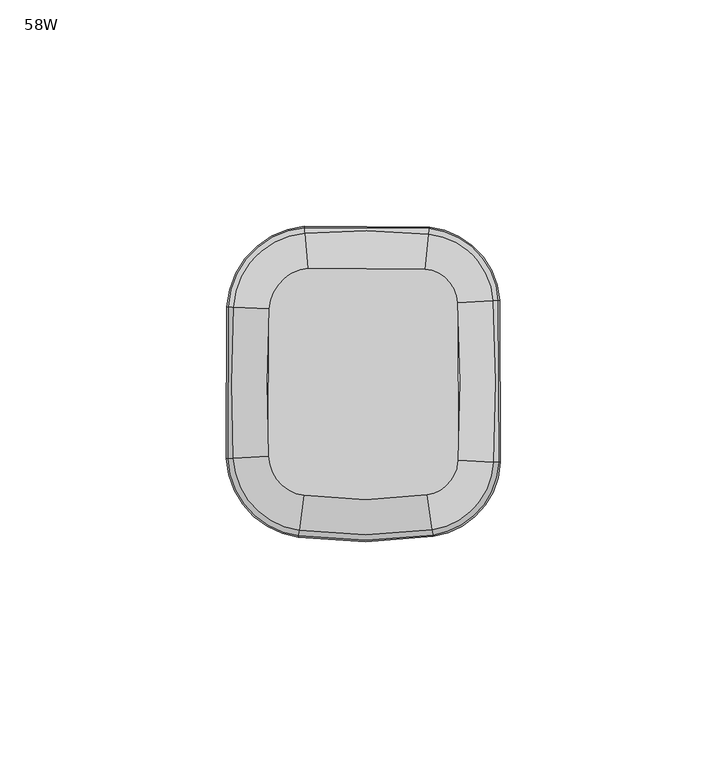
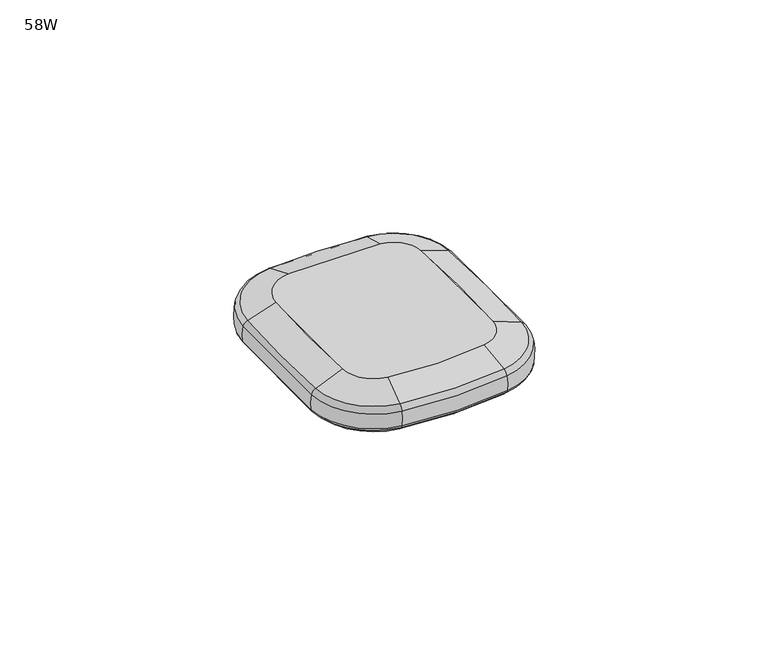
"""IFC4 building model written with IfcOpenShell, lengths in millimetres: furniture geometry, 58W."""

from ifc_helpers import new_model, si_unit, point, frame, origin, place, context, project, spatial, polyline, circle_curve, ellipse_curve, trimmed, source, transform, mapped, element, save
from ifc_brep_helpers import plane_surface, revolved_surface, advanced_brep


def furniture_58w_7916ae66(model_context):
    return source(origin(), model_context, "Body", "AdvancedBrep", [
        advanced_brep(
        [(553.8115374, -720.1187209, 991.0002905), (554.9543179, -727.7731833, 988.1834162), (568.4427261, -712.8735148, 988.1834162), (560.7126626, -712.4955473, 991.0002905), (569.70939, -712.9354493, 986.7527708), (555.1415762, -729.0274591, 986.7527708), (555.1660814, -729.1915975, 982.4840916), (569.8751497, -712.9435543, 982.4840916), (568.2943896, -677.2891615, 988.1834162), (560.5677458, -677.7315617, 991.0002905), (569.7261794, -677.2071824, 982.4840916), (569.5604931, -677.216669, 986.7527708), (554.1675965, -662.5236904, 988.1834162), (553.3841927, -670.2232371, 991.0002905), (554.3127656, -661.0969218, 982.4840916), (554.2959667, -661.262027, 986.7527708), (526.8358016, -662.3431655, 988.1834162), (527.5174314, -670.0523886, 991.0002905), (526.7094919, -660.9146037, 982.4840916), (526.7241084, -661.0799165, 986.7527708), (511.1085802, -678.6378217, 988.1834162), (518.8371131, -679.045891, 991.0002905), (509.6764403, -678.5622041, 982.4840916), (509.8421671, -678.5709546, 986.7527708), (510.9872101, -711.9795758, 988.1834162), (518.718509, -711.6277831, 991.0002905), (509.5545576, -712.0447649, 982.4840916), (509.7203437, -712.0372213, 986.7527708), (525.506564, -727.9163084, 988.1834162), (526.5748861, -720.2510994, 991.0002905), (525.3085979, -729.3367141, 982.4840916), (525.3315065, -729.1723451, 986.7527708), (569.5250419, -712.9264355, 981.740773), (555.114323, -728.8449139, 981.740773), (553.8115374, -720.1187209, 978.2999998), (560.7126626, -712.4955473, 978.2999998), (560.5677458, -677.7315617, 978.2999998), (569.3762266, -677.2272194, 981.740773), (553.3841927, -670.2232371, 978.2999998), (554.2772839, -661.4456474, 981.740773), (527.5174314, -670.0523886, 978.2999998), (526.740364, -661.2637676, 981.740773), (518.8371131, -679.045891, 978.2999998), (510.0264787, -678.5806863, 981.740773), (518.718509, -711.6277831, 978.2999998), (509.9047213, -712.0288317, 981.740773), (526.5748861, -720.2510994, 978.2999998), (525.3569841, -728.9895437, 981.740773)],
        [
            (0, 1),
            (1, 2, circle_curve(frame((552.6143107, -712.0995721, 988.1834162), z_axis=(0.0, 0.0, 1.0), x_axis=(0.1476594373655488, -0.9890382654664528, 0.0)), 15.8473253)),
            (2, 3),
            (3, 0, circle_curve(frame((552.6143107, -712.0995721, 990.9999998), z_axis=(0.0, 0.0, -1.0), x_axis=(0.1476594373655488, -0.9890382654664528, 0.0)), 8.1088255)),
            (4, 5, circle_curve(frame((552.6143107, -712.0995721, 986.7527708), z_axis=(0.0, 0.0, -1.0), x_axis=(0.1476594373655488, -0.9890382654664528, 0.0)), 17.1155025)),
            (5, 6, circle_curve(frame((553.5147111, -718.1305475, 984.1868597), z_axis=(0.9890382654664528, 0.14765943736554882, 0.0), x_axis=(-0.14765943736554882, 0.9890382654664528, 0.0)), 11.3125272)),
            (6, 7, circle_curve(frame((552.6143107, -712.0995721, 982.4840916), z_axis=(0.0, 0.0, 1.0), x_axis=(0.1476594373655488, -0.9890382654664528, 0.0)), 17.2814602)),
            (7, 4, circle_curve(frame((558.7048525, -712.3973739, 984.1868597), z_axis=(-0.04883743353817299, -0.9988067406087149, 0.0), x_axis=(-0.9988067406087149, 0.04883743353817299, 0.0)), 11.3125272)),
            (1, 5, circle_curve(frame((554.8529657, -727.0943157, 986.2975708), z_axis=(0.9890382654664528, 0.14765943736554882, 0.0), x_axis=(-0.14765943736554882, 0.9890382654664528, 0.0)), 2.0068747)),
            (4, 2, circle_curve(frame((567.7571536, -712.8399932, 986.2975708), z_axis=(-0.04883743353818076, -0.9988067406087144, 0.0), x_axis=(-0.9988067406087144, 0.04883743353818076, 0.0)), 2.0068747)),
            (2, 8, circle_curve(frame((233.1426653, -696.4787572, 988.1834162), z_axis=(0.0, 0.0, 1.0), x_axis=(0.9988067406087116, -0.04883743353824024, 0.0)), 335.7006387)),
            (8, 9),
            (9, 3, circle_curve(frame((233.1426653, -696.4787572, 990.9999998), z_axis=(0.0, 0.0, -1.0), x_axis=(0.9988067406087116, -0.04883743353824024, 0.0)), 327.9621389)),
            (7, 10, circle_curve(frame((233.1426653, -696.4787572, 982.4840916), z_axis=(0.0, 0.0, 1.0), x_axis=(0.9988067406087116, -0.04883743353824024, 0.0)), 337.1347736)),
            (10, 11, circle_curve(frame((558.560824, -677.8464709, 984.1868597), z_axis=(0.057162821296979, -0.9983648691041616, 0.0), x_axis=(-0.9983648691041616, -0.057162821296979, 0.0)), 11.3125272)),
            (11, 4, circle_curve(frame((233.1426653, -696.4787572, 986.7527708), z_axis=(0.0, 0.0, -1.0), x_axis=(0.9988067406087116, -0.04883743353824024, 0.0)), 336.9688159)),
            (11, 8, circle_curve(frame((567.6091203, -677.3283976, 986.2975708), z_axis=(0.057162821296978576, -0.9983648691041617, 0.0), x_axis=(-0.9983648691041617, -0.057162821296978576, 0.0)), 2.0068747)),
            (8, 12, circle_curve(frame((552.5736743, -678.1892738, 988.1834162), z_axis=(0.0, 0.0, 1.0), x_axis=(0.9983648691041614, 0.05716282129698137, 0.0)), 15.7464628)),
            (12, 13),
            (13, 9, circle_curve(frame((552.5736743, -678.1892738, 990.9999998), z_axis=(0.0, 0.0, -1.0), x_axis=(0.9983648691041614, 0.05716282129698137, 0.0)), 8.0079629)),
            (10, 14, circle_curve(frame((552.5736743, -678.1892738, 982.4840916), z_axis=(0.0, 0.0, 1.0), x_axis=(0.9983648691041614, 0.05716282129698137, 0.0)), 17.1805977)),
            (14, 15, circle_curve(frame((553.180711, -672.2231208, 984.1868597), z_axis=(0.9948636454160271, -0.10122414252308287, 0.0), x_axis=(-0.10122414252308287, -0.9948636454160271, 0.0)), 11.3125272)),
            (15, 11, circle_curve(frame((552.5736743, -678.1892738, 986.7527708), z_axis=(0.0, 0.0, -1.0), x_axis=(0.9983648691041614, 0.05716282129698137, 0.0)), 17.01464)),
            (15, 12, circle_curve(frame((554.0981171, -663.2065564, 986.2975708), z_axis=(0.9948636454160273, -0.1012241425230811, 0.0), x_axis=(-0.1012241425230811, -0.9948636454160273, 0.0)), 2.0068747)),
            (12, 16, circle_curve(frame((539.5523463, -806.1671014, 988.1834162), z_axis=(0.0, 0.0, 1.0), x_axis=(0.10122414252308336, 0.9948636454160271, 0.0)), 144.3850237)),
            (16, 17),
            (17, 13, circle_curve(frame((539.5523463, -806.1671014, 990.9999998), z_axis=(0.0, 0.0, -1.0), x_axis=(0.10122414252308336, 0.9948636454160271, 0.0)), 136.6465238)),
            (14, 18, circle_curve(frame((539.5523463, -806.1671014, 982.4840916), z_axis=(0.0, 0.0, 1.0), x_axis=(0.10122414252308336, 0.9948636454160271, 0.0)), 145.8191585)),
            (18, 19, circle_curve(frame((527.6944783, -672.0547856, 984.1868597), z_axis=(0.996113947934043, 0.08807384816876543, 0.0), x_axis=(0.08807384816876543, -0.996113947934043, 0.0)), 11.3125272)),
            (19, 15, circle_curve(frame((539.5523463, -806.1671014, 986.7527708), z_axis=(0.0, 0.0, -1.0), x_axis=(0.10122414252308336, 0.9948636454160271, 0.0)), 145.6532009)),
            (19, 16, circle_curve(frame((526.8962548, -663.0268897, 986.2975708), z_axis=(0.9961139479340431, 0.08807384816876562, 0.0), x_axis=(0.08807384816876562, -0.9961139479340431, 0.0)), 2.0068747)),
            (16, 20, circle_curve(frame((528.3570575, -679.5485475, 988.1834162), z_axis=(0.0, 0.0, 1.0), x_axis=(-0.08807384816876603, 0.996113947934043, 0.0)), 17.2725039)),
            (20, 21),
            (21, 17, circle_curve(frame((528.3570575, -679.5485475, 990.9999998), z_axis=(0.0, 0.0, -1.0), x_axis=(-0.08807384816876603, 0.996113947934043, 0.0)), 9.534004)),
            (18, 22, circle_curve(frame((528.3570575, -679.5485475, 982.4840916), z_axis=(0.0, 0.0, 1.0), x_axis=(-0.08807384816876603, 0.996113947934043, 0.0)), 18.7066388)),
            (22, 23, circle_curve(frame((520.8445256, -679.1518831, 984.1868597), z_axis=(0.052726915225592294, 0.9986089687213876, 0.0), x_axis=(0.9986089687213876, -0.052726915225592294, 0.0)), 11.3125272)),
            (23, 19, circle_curve(frame((528.3570575, -679.5485475, 986.7527708), z_axis=(0.0, 0.0, -1.0), x_axis=(-0.08807384816876603, 0.996113947934043, 0.0)), 18.5406811)),
            (23, 20, circle_curve(frame((511.794017, -678.674013, 986.2975708), z_axis=(0.05272691522559052, 0.9986089687213877, 0.0), x_axis=(0.9986089687213877, -0.05272691522559052, 0.0)), 2.0068747)),
            (20, 24, circle_curve(frame((850.226514, -696.5433714, 988.1834162), z_axis=(0.0, 0.0, 1.0), x_axis=(-0.9986089687213847, 0.05272691522564658, 0.0)), 339.5903145)),
            (24, 25),
            (25, 21, circle_curve(frame((850.226514, -696.5433714, 990.9999998), z_axis=(0.0, 0.0, -1.0), x_axis=(-0.9986089687213847, 0.05272691522564658, 0.0)), 331.8518146)),
            (22, 26, circle_curve(frame((850.226514, -696.5433714, 982.4840916), z_axis=(0.0, 0.0, 1.0), x_axis=(-0.9986089687213847, 0.05272691522564658, 0.0)), 341.0244494)),
            (26, 27, circle_curve(frame((520.72664, -711.5364083, 984.1868597), z_axis=(-0.045455373076567905, 0.998966370334092, 0.0), x_axis=(0.998966370334092, 0.045455373076567905, 0.0)), 11.3125272)),
            (27, 23, circle_curve(frame((850.226514, -696.5433714, 986.7527708), z_axis=(0.0, 0.0, -1.0), x_axis=(-0.9986089687213847, 0.05272691522564658, 0.0)), 340.8584917)),
            (27, 24, circle_curve(frame((511.6728922, -711.9483756, 986.2975708), z_axis=(-0.045455373076568, 0.998966370334092, 0.0), x_axis=(0.998966370334092, 0.045455373076568, 0.0)), 2.0068747)),
            (24, 28, circle_curve(frame((527.8345546, -711.2129811, 988.1834162), z_axis=(0.0, 0.0, 1.0), x_axis=(-0.9989663703340921, -0.045455373076564755, 0.0)), 16.8647764)),
            (28, 29),
            (29, 25, circle_curve(frame((527.8345546, -711.2129811, 990.9999998), z_axis=(0.0, 0.0, -1.0), x_axis=(-0.9989663703340921, -0.045455373076564755, 0.0)), 9.1262765)),
            (26, 30, circle_curve(frame((527.8345546, -711.2129811, 982.4840916), z_axis=(0.0, 0.0, 1.0), x_axis=(-0.9989663703340921, -0.045455373076564755, 0.0)), 18.2989113)),
            (30, 31, circle_curve(frame((526.8523726, -718.2601347, 984.1868597), z_axis=(-0.9904268457768622, 0.13803862924738008, 0.0), x_axis=(0.13803862924738008, 0.9904268457768622, 0.0)), 11.3125272)),
            (31, 27, circle_curve(frame((527.8345546, -711.2129811, 986.7527708), z_axis=(0.0, 0.0, -1.0), x_axis=(-0.9989663703340921, -0.045455373076564755, 0.0)), 18.1329536)),
            (31, 28, circle_curve(frame((525.6013125, -727.2364878, 986.2975708), z_axis=(-0.9904268457768625, 0.13803862924737836, 0.0), x_axis=(0.13803862924737836, 0.9904268457768625, 0.0)), 2.0068747)),
            (0, 29, circle_curve(frame((539.7346182, -625.8300522, 990.9999998), z_axis=(0.0, 0.0, -1.0), x_axis=(-0.13803862924737878, -0.9904268457768624, 0.0)), 95.33449)),
            (28, 1, circle_curve(frame((539.7346182, -625.8300522, 988.1834162), z_axis=(0.0, 0.0, 1.0), x_axis=(-0.13803862924737878, -0.9904268457768624, 0.0)), 103.0729899)),
            (5, 31, circle_curve(frame((539.7346182, -625.8300522, 986.7527708), z_axis=(0.0, 0.0, -1.0), x_axis=(-0.13803862924737878, -0.9904268457768624, 0.0)), 104.3411671)),
            (30, 6, circle_curve(frame((539.7346182, -625.8300522, 982.4840916), z_axis=(0.0, 0.0, 1.0), x_axis=(-0.13803862924737878, -0.9904268457768624, 0.0)), 104.5071248)),
            (32, 33, circle_curve(frame((552.6143107, -712.0995721, 981.740773), z_axis=(0.0, 0.0, -1.0), x_axis=(0.1476594373655488, -0.9890382654664528, 0.0)), 16.9309342)),
            (33, 34, circle_curve(frame((553.961296, -721.1218192, 988.7316594), z_axis=(0.9890382654664528, 0.14765943736554882, 0.0), x_axis=(-0.14765943736554882, 0.9890382654664528, 0.0)), 10.4808471)),
            (34, 35, circle_curve(frame((552.6143107, -712.0995721, 978.2999998), z_axis=(0.0, 0.0, 1.0), x_axis=(0.1476594373655488, -0.9890382654664528, 0.0)), 8.1080269)),
            (35, 32, circle_curve(frame((561.7256682, -712.545079, 988.7316594), z_axis=(-0.04883743353809847, -0.9988067406087184, 0.0), x_axis=(-0.9988067406087184, 0.04883743353809847, 0.0)), 10.4808471)),
            (6, 33, circle_curve(frame((554.955997, -727.7844301, 982.7007148), z_axis=(0.9890382654664528, 0.14765943736554882, 0.0), x_axis=(-0.14765943736554882, 0.9890382654664528, 0.0)), 1.4391599)),
            (32, 7, circle_curve(frame((568.4540841, -712.8740702, 982.7007148), z_axis=(-0.04883743353816278, -0.9988067406087152, 0.0), x_axis=(-0.9988067406087152, 0.04883743353816278, 0.0)), 1.4391599)),
            (35, 36, circle_curve(frame((233.1426653, -696.4787572, 978.2999998), z_axis=(0.0, 0.0, 1.0), x_axis=(0.9988067406087116, -0.04883743353824024, 0.0)), 327.9613402)),
            (36, 37, circle_curve(frame((561.5803033, -677.6735862, 988.7316594), z_axis=(0.05716282129697848, -0.9983648691041617, 0.0), x_axis=(-0.9983648691041617, -0.05716282129697848, 0.0)), 10.4808471)),
            (37, 32, circle_curve(frame((233.1426653, -696.4787572, 981.740773), z_axis=(0.0, 0.0, -1.0), x_axis=(0.9988067406087116, -0.04883743353824024, 0.0)), 336.7842476)),
            (37, 10, circle_curve(frame((568.3057425, -677.2885115, 982.7007148), z_axis=(0.05716282129697863, -0.9983648691041617, 0.0), x_axis=(-0.9983648691041617, -0.05716282129697863, 0.0)), 1.4391599)),
            (36, 38, circle_curve(frame((552.5736743, -678.1892738, 978.2999998), z_axis=(0.0, 0.0, 1.0), x_axis=(0.9983648691041614, 0.05716282129698137, 0.0)), 8.0071643)),
            (38, 39, circle_curve(frame((553.4868558, -669.2142307, 988.7316594), z_axis=(0.9948636454160275, -0.10122414252307999, 0.0), x_axis=(-0.10122414252307999, -0.9948636454160275, 0.0)), 10.4808471)),
            (39, 37, circle_curve(frame((552.5736743, -678.1892738, 981.740773), z_axis=(0.0, 0.0, -1.0), x_axis=(0.9983648691041614, 0.05716282129698137, 0.0)), 16.8300716)),
            (39, 14, circle_curve(frame((554.1687476, -662.5123773, 982.7007148), z_axis=(0.9948636454160271, -0.10122414252308287, 0.0), x_axis=(-0.10122414252308287, -0.9948636454160271, 0.0)), 1.4391599)),
            (38, 40, circle_curve(frame((539.5523463, -806.1671014, 978.2999998), z_axis=(0.0, 0.0, 1.0), x_axis=(0.10122414252308336, 0.9948636454160271, 0.0)), 136.6457252)),
            (40, 41, circle_curve(frame((527.4281056, -669.0421141, 988.7316594), z_axis=(0.9961139479340431, 0.0880738481687656, 0.0), x_axis=(0.0880738481687656, -0.9961139479340431, 0.0)), 10.4808471)),
            (41, 39, circle_curve(frame((539.5523463, -806.1671014, 981.740773), z_axis=(0.0, 0.0, -1.0), x_axis=(0.10122414252308336, 0.9948636454160271, 0.0)), 145.4686325)),
            (41, 18, circle_curve(frame((526.8348001, -662.3318381, 982.7007148), z_axis=(0.9961139479340431, 0.08807384816876503, 0.0), x_axis=(0.08807384816876503, -0.9961139479340431, 0.0)), 1.4391599)),
            (40, 42, circle_curve(frame((528.3570575, -679.5485475, 978.2999998), z_axis=(0.0, 0.0, 1.0), x_axis=(-0.08807384816876603, 0.996113947934043, 0.0)), 9.5332054)),
            (42, 43, circle_curve(frame((517.8243081, -678.9924145, 988.7316594), z_axis=(0.05272691522554704, 0.99860896872139, 0.0), x_axis=(0.99860896872139, -0.05272691522554704, 0.0)), 10.4808471)),
            (43, 41, circle_curve(frame((528.3570575, -679.5485475, 981.740773), z_axis=(0.0, 0.0, -1.0), x_axis=(-0.08807384816876603, 0.996113947934043, 0.0)), 18.3561127)),
            (43, 22, circle_curve(frame((511.0972245, -678.6372221, 982.7007148), z_axis=(0.052726915225590754, 0.9986089687213877, 0.0), x_axis=(0.9986089687213877, -0.052726915225590754, 0.0)), 1.4391599)),
            (42, 44, circle_curve(frame((850.226514, -696.5433714, 978.2999998), z_axis=(0.0, 0.0, 1.0), x_axis=(-0.9986089687213847, 0.05272691522564658, 0.0)), 331.851016)),
            (44, 45, circle_curve(frame((517.7053415, -711.6738847, 988.7316594), z_axis=(-0.045455373076568, 0.998966370334092, 0.0), x_axis=(0.998966370334092, 0.045455373076568, 0.0)), 10.4808471)),
            (45, 43, circle_curve(frame((850.226514, -696.5433714, 981.740773), z_axis=(0.0, 0.0, -1.0), x_axis=(-0.9986089687213847, 0.05272691522564658, 0.0)), 340.6739233)),
            (45, 26, circle_curve(frame((510.9758503, -711.9800927, 982.7007148), z_axis=(-0.04545537307656849, 0.9989663703340919, 0.0), x_axis=(0.9989663703340919, 0.04545537307656849, 0.0)), 1.4391599)),
            (44, 46, circle_curve(frame((527.8345546, -711.2129811, 978.2999998), z_axis=(0.0, 0.0, 1.0), x_axis=(-0.9989663703340921, -0.045455373076564755, 0.0)), 9.1254779)),
            (46, 47, circle_curve(frame((526.4348851, -721.255606, 988.7316594), z_axis=(-0.9904268457768619, 0.13803862924738228, 0.0), x_axis=(0.13803862924738228, 0.9904268457768619, 0.0)), 10.4808471)),
            (47, 45, circle_curve(frame((527.8345546, -711.2129811, 981.740773), z_axis=(0.0, 0.0, -1.0), x_axis=(-0.9989663703340921, -0.045455373076564755, 0.0)), 17.9483852)),
            (47, 30, circle_curve(frame((525.5049942, -727.9275711, 982.7007148), z_axis=(-0.9904268457768618, 0.13803862924738317, 0.0), x_axis=(0.13803862924738317, 0.9904268457768618, 0.0)), 1.4391599)),
            (33, 47, circle_curve(frame((539.7346182, -625.8300522, 981.740773), z_axis=(0.0, 0.0, -1.0), x_axis=(-0.13803862924737878, -0.9904268457768624, 0.0)), 104.1565987)),
            (46, 34, circle_curve(frame((539.7346182, -625.8300522, 978.2999998), z_axis=(0.0, 0.0, 1.0), x_axis=(-0.13803862924737878, -0.9904268457768624, 0.0)), 95.3336914)),
        ],
        [
            revolved_surface(polyline([(554.9543179, -727.7731833, 988.1834162), (553.8115374, -720.1187209, 991.0002905)]), (552.6143107, -712.0995721, 0.0), (0.0, 0.0, 1.0)),
            revolved_surface(trimmed(ellipse_curve(frame((553.5147111, -718.1305475, 984.1868597), z_axis=(-0.9890382654664528, -0.14765943736554882, 0.0), x_axis=(-0.14765943736554882, 0.9890382654664528, 0.0)), 11.3125272, 11.3125272), [point((555.1660814, -729.1915975, 982.4840916))], [point((555.1415762, -729.0274591, 986.7527708))], True, "CARTESIAN"), (552.6143107, -712.0995721, 0.0), (0.0, 0.0, 1.0)),
            revolved_surface(trimmed(ellipse_curve(frame((554.8529657, -727.0943157, 986.2975708), z_axis=(-0.9890382654664528, -0.14765943736554882, 0.0), x_axis=(-0.14765943736554882, 0.9890382654664528, 0.0)), 2.0068747, 2.0068747), [point((555.1415762, -729.0274591, 986.7527708))], [point((554.9543179, -727.7731833, 988.1834162))], True, "CARTESIAN"), (552.6143107, -712.0995721, 0.0), (0.0, 0.0, 1.0)),
            revolved_surface(polyline([(568.4427261, -712.8735148, 988.1834162), (560.7126626, -712.4955473, 991.0002905)]), (233.1426653, -696.4787572, 0.0), (0.0, 0.0, 1.0)),
            revolved_surface(trimmed(ellipse_curve(frame((558.7048525, -712.3973739, 984.1868597), z_axis=(-0.0488374335382402, -0.9988067406087116, 0.0), x_axis=(-0.9988067406087116, 0.0488374335382402, 0.0)), 11.3125272, 11.3125272), [point((569.8751497, -712.9435543, 982.4840916))], [point((569.70939, -712.9354493, 986.7527708))], True, "CARTESIAN"), (233.1426653, -696.4787572, 0.0), (0.0, 0.0, 1.0)),
            revolved_surface(trimmed(ellipse_curve(frame((567.7571536, -712.8399932, 986.2975708), z_axis=(-0.0488374335382402, -0.9988067406087116, 0.0), x_axis=(-0.9988067406087116, 0.0488374335382402, 0.0)), 2.0068747, 2.0068747), [point((569.70939, -712.9354493, 986.7527708))], [point((568.4427261, -712.8735148, 988.1834162))], True, "CARTESIAN"), (233.1426653, -696.4787572, 0.0), (0.0, 0.0, 1.0)),
            revolved_surface(polyline([(568.2943896, -677.2891615, 988.1834162), (560.5677458, -677.7315617, 991.0002905)]), (552.5736743, -678.1892738, 0.0), (0.0, 0.0, 1.0)),
            revolved_surface(trimmed(ellipse_curve(frame((558.560824, -677.8464709, 984.1868597), z_axis=(0.05716282129698141, -0.9983648691041614, 0.0), x_axis=(-0.9983648691041614, -0.05716282129698141, 0.0)), 11.3125272, 11.3125272), [point((569.7261794, -677.2071824, 982.4840916))], [point((569.5604931, -677.216669, 986.7527708))], True, "CARTESIAN"), (552.5736743, -678.1892738, 0.0), (0.0, 0.0, 1.0)),
            revolved_surface(trimmed(ellipse_curve(frame((567.6091203, -677.3283976, 986.2975708), z_axis=(0.05716282129698141, -0.9983648691041614, 0.0), x_axis=(-0.9983648691041614, -0.05716282129698141, 0.0)), 2.0068747, 2.0068747), [point((569.5604931, -677.216669, 986.7527708))], [point((568.2943896, -677.2891615, 988.1834162))], True, "CARTESIAN"), (552.5736743, -678.1892738, 0.0), (0.0, 0.0, 1.0)),
            revolved_surface(polyline([(554.1675965, -662.5236904, 988.1834162), (553.3841927, -670.2232371, 991.0002905)]), (539.5523463, -806.1671014, 0.0), (0.0, 0.0, 1.0)),
            revolved_surface(trimmed(ellipse_curve(frame((553.180711, -672.2231208, 984.1868597), z_axis=(0.9948636454160271, -0.10122414252308337, 0.0), x_axis=(-0.10122414252308337, -0.9948636454160271, 0.0)), 11.3125272, 11.3125272), [point((554.3127656, -661.0969218, 982.4840916))], [point((554.2959667, -661.262027, 986.7527708))], True, "CARTESIAN"), (539.5523463, -806.1671014, 0.0), (0.0, 0.0, 1.0)),
            revolved_surface(trimmed(ellipse_curve(frame((554.0981171, -663.2065564, 986.2975708), z_axis=(0.9948636454160271, -0.10122414252308337, 0.0), x_axis=(-0.10122414252308337, -0.9948636454160271, 0.0)), 2.0068747, 2.0068747), [point((554.2959667, -661.262027, 986.7527708))], [point((554.1675965, -662.5236904, 988.1834162))], True, "CARTESIAN"), (539.5523463, -806.1671014, 0.0), (0.0, 0.0, 1.0)),
            revolved_surface(polyline([(526.8358016, -662.3431655, 988.1834162), (527.5174314, -670.0523886, 991.0002905)]), (528.3570575, -679.5485475, 0.0), (0.0, 0.0, 1.0)),
            revolved_surface(trimmed(ellipse_curve(frame((527.6944783, -672.0547856, 984.1868597), z_axis=(0.996113947934043, 0.08807384816876601, 0.0), x_axis=(0.08807384816876601, -0.996113947934043, 0.0)), 11.3125272, 11.3125272), [point((526.7094919, -660.9146037, 982.4840916))], [point((526.7241084, -661.0799165, 986.7527708))], True, "CARTESIAN"), (528.3570575, -679.5485475, 0.0), (0.0, 0.0, 1.0)),
            revolved_surface(trimmed(ellipse_curve(frame((526.8962548, -663.0268897, 986.2975708), z_axis=(0.996113947934043, 0.08807384816876601, 0.0), x_axis=(0.08807384816876601, -0.996113947934043, 0.0)), 2.0068747, 2.0068747), [point((526.7241084, -661.0799165, 986.7527708))], [point((526.8358016, -662.3431655, 988.1834162))], True, "CARTESIAN"), (528.3570575, -679.5485475, 0.0), (0.0, 0.0, 1.0)),
            revolved_surface(polyline([(511.1085802, -678.6378217, 988.1834162), (518.8371131, -679.045891, 991.0002905)]), (850.226514, -696.5433714, 0.0), (0.0, 0.0, 1.0)),
            revolved_surface(trimmed(ellipse_curve(frame((520.8445256, -679.1518831, 984.1868597), z_axis=(0.05272691522564658, 0.9986089687213847, 0.0), x_axis=(0.9986089687213847, -0.05272691522564658, 0.0)), 11.3125272, 11.3125272), [point((509.6764403, -678.5622041, 982.4840916))], [point((509.8421671, -678.5709546, 986.7527708))], True, "CARTESIAN"), (850.226514, -696.5433714, 0.0), (0.0, 0.0, 1.0)),
            revolved_surface(trimmed(ellipse_curve(frame((511.794017, -678.674013, 986.2975708), z_axis=(0.05272691522564658, 0.9986089687213847, 0.0), x_axis=(0.9986089687213847, -0.05272691522564658, 0.0)), 2.0068747, 2.0068747), [point((509.8421671, -678.5709546, 986.7527708))], [point((511.1085802, -678.6378217, 988.1834162))], True, "CARTESIAN"), (850.226514, -696.5433714, 0.0), (0.0, 0.0, 1.0)),
            revolved_surface(polyline([(510.9872101, -711.9795758, 988.1834162), (518.718509, -711.6277831, 991.0002905)]), (527.8345546, -711.2129811, 0.0), (0.0, 0.0, 1.0)),
            revolved_surface(trimmed(ellipse_curve(frame((520.72664, -711.5364083, 984.1868597), z_axis=(-0.04545537307656476, 0.9989663703340921, 0.0), x_axis=(0.9989663703340921, 0.04545537307656476, 0.0)), 11.3125272, 11.3125272), [point((509.5545576, -712.0447649, 982.4840916))], [point((509.7203437, -712.0372213, 986.7527708))], True, "CARTESIAN"), (527.8345546, -711.2129811, 0.0), (0.0, 0.0, 1.0)),
            revolved_surface(trimmed(ellipse_curve(frame((511.6728922, -711.9483756, 986.2975708), z_axis=(-0.04545537307656476, 0.9989663703340921, 0.0), x_axis=(0.9989663703340921, 0.04545537307656476, 0.0)), 2.0068747, 2.0068747), [point((509.7203437, -712.0372213, 986.7527708))], [point((510.9872101, -711.9795758, 988.1834162))], True, "CARTESIAN"), (527.8345546, -711.2129811, 0.0), (0.0, 0.0, 1.0)),
            revolved_surface(polyline([(525.506564, -727.9163084, 988.1834162), (526.5748861, -720.2510994, 991.0002905)]), (539.7346182, -625.8300522, 0.0), (0.0, 0.0, 1.0)),
            revolved_surface(trimmed(ellipse_curve(frame((526.8523726, -718.2601347, 984.1868597), z_axis=(-0.9904268457768624, 0.1380386292473788, 0.0), x_axis=(0.1380386292473788, 0.9904268457768624, 0.0)), 11.3125272, 11.3125272), [point((525.3085979, -729.3367141, 982.4840916))], [point((525.3315065, -729.1723451, 986.7527708))], True, "CARTESIAN"), (539.7346182, -625.8300522, 0.0), (0.0, 0.0, 1.0)),
            revolved_surface(trimmed(ellipse_curve(frame((525.6013125, -727.2364878, 986.2975708), z_axis=(-0.9904268457768624, 0.1380386292473788, 0.0), x_axis=(0.1380386292473788, 0.9904268457768624, 0.0)), 2.0068747, 2.0068747), [point((525.3315065, -729.1723451, 986.7527708))], [point((525.506564, -727.9163084, 988.1834162))], True, "CARTESIAN"), (539.7346182, -625.8300522, 0.0), (0.0, 0.0, 1.0)),
            revolved_surface(trimmed(ellipse_curve(frame((553.961296, -721.1218192, 988.7316594), z_axis=(-0.9890382654664528, -0.14765943736554882, 0.0), x_axis=(-0.14765943736554882, 0.9890382654664528, 0.0)), 10.4808471, 10.4808471), [point((553.8115374, -720.1187209, 978.2999998))], [point((555.114323, -728.8449139, 981.740773))], True, "CARTESIAN"), (552.6143107, -712.0995721, 0.0), (0.0, 0.0, 1.0)),
            revolved_surface(trimmed(ellipse_curve(frame((554.955997, -727.7844301, 982.7007148), z_axis=(-0.9890382654664528, -0.14765943736554882, 0.0), x_axis=(-0.14765943736554882, 0.9890382654664528, 0.0)), 1.4391599, 1.4391599), [point((555.114323, -728.8449139, 981.740773))], [point((555.1660814, -729.1915975, 982.4840916))], True, "CARTESIAN"), (552.6143107, -712.0995721, 0.0), (0.0, 0.0, 1.0)),
            revolved_surface(trimmed(ellipse_curve(frame((561.7256682, -712.545079, 988.7316594), z_axis=(-0.0488374335382402, -0.9988067406087116, 0.0), x_axis=(-0.9988067406087116, 0.0488374335382402, 0.0)), 10.4808471, 10.4808471), [point((560.7126626, -712.4955473, 978.2999998))], [point((569.5250419, -712.9264355, 981.740773))], True, "CARTESIAN"), (233.1426653, -696.4787572, 0.0), (0.0, 0.0, 1.0)),
            revolved_surface(trimmed(ellipse_curve(frame((568.4540841, -712.8740702, 982.7007148), z_axis=(-0.0488374335382402, -0.9988067406087116, 0.0), x_axis=(-0.9988067406087116, 0.0488374335382402, 0.0)), 1.4391599, 1.4391599), [point((569.5250419, -712.9264355, 981.740773))], [point((569.8751497, -712.9435543, 982.4840916))], True, "CARTESIAN"), (233.1426653, -696.4787572, 0.0), (0.0, 0.0, 1.0)),
            revolved_surface(trimmed(ellipse_curve(frame((561.5803033, -677.6735862, 988.7316594), z_axis=(0.05716282129698141, -0.9983648691041614, 0.0), x_axis=(-0.9983648691041614, -0.05716282129698141, 0.0)), 10.4808471, 10.4808471), [point((560.5677458, -677.7315617, 978.2999998))], [point((569.3762266, -677.2272194, 981.740773))], True, "CARTESIAN"), (552.5736743, -678.1892738, 0.0), (0.0, 0.0, 1.0)),
            revolved_surface(trimmed(ellipse_curve(frame((568.3057425, -677.2885115, 982.7007148), z_axis=(0.05716282129698141, -0.9983648691041614, 0.0), x_axis=(-0.9983648691041614, -0.05716282129698141, 0.0)), 1.4391599, 1.4391599), [point((569.3762266, -677.2272194, 981.740773))], [point((569.7261794, -677.2071824, 982.4840916))], True, "CARTESIAN"), (552.5736743, -678.1892738, 0.0), (0.0, 0.0, 1.0)),
            revolved_surface(trimmed(ellipse_curve(frame((553.4868558, -669.2142307, 988.7316594), z_axis=(0.9948636454160271, -0.10122414252308337, 0.0), x_axis=(-0.10122414252308337, -0.9948636454160271, 0.0)), 10.4808471, 10.4808471), [point((553.3841927, -670.2232371, 978.2999998))], [point((554.2772839, -661.4456474, 981.740773))], True, "CARTESIAN"), (539.5523463, -806.1671014, 0.0), (0.0, 0.0, 1.0)),
            revolved_surface(trimmed(ellipse_curve(frame((554.1687476, -662.5123773, 982.7007148), z_axis=(0.9948636454160271, -0.10122414252308337, 0.0), x_axis=(-0.10122414252308337, -0.9948636454160271, 0.0)), 1.4391599, 1.4391599), [point((554.2772839, -661.4456474, 981.740773))], [point((554.3127656, -661.0969218, 982.4840916))], True, "CARTESIAN"), (539.5523463, -806.1671014, 0.0), (0.0, 0.0, 1.0)),
            revolved_surface(trimmed(ellipse_curve(frame((527.4281056, -669.0421141, 988.7316594), z_axis=(0.996113947934043, 0.08807384816876601, 0.0), x_axis=(0.08807384816876601, -0.996113947934043, 0.0)), 10.4808471, 10.4808471), [point((527.5174314, -670.0523886, 978.2999998))], [point((526.740364, -661.2637676, 981.740773))], True, "CARTESIAN"), (528.3570575, -679.5485475, 0.0), (0.0, 0.0, 1.0)),
            revolved_surface(trimmed(ellipse_curve(frame((526.8348001, -662.3318381, 982.7007148), z_axis=(0.996113947934043, 0.08807384816876601, 0.0), x_axis=(0.08807384816876601, -0.996113947934043, 0.0)), 1.4391599, 1.4391599), [point((526.740364, -661.2637676, 981.740773))], [point((526.7094919, -660.9146037, 982.4840916))], True, "CARTESIAN"), (528.3570575, -679.5485475, 0.0), (0.0, 0.0, 1.0)),
            revolved_surface(trimmed(ellipse_curve(frame((517.8243081, -678.9924145, 988.7316594), z_axis=(0.05272691522564658, 0.9986089687213847, 0.0), x_axis=(0.9986089687213847, -0.05272691522564658, 0.0)), 10.4808471, 10.4808471), [point((518.8371131, -679.045891, 978.2999998))], [point((510.0264787, -678.5806863, 981.740773))], True, "CARTESIAN"), (850.226514, -696.5433714, 0.0), (0.0, 0.0, 1.0)),
            revolved_surface(trimmed(ellipse_curve(frame((511.0972245, -678.6372221, 982.7007148), z_axis=(0.05272691522564658, 0.9986089687213847, 0.0), x_axis=(0.9986089687213847, -0.05272691522564658, 0.0)), 1.4391599, 1.4391599), [point((510.0264787, -678.5806863, 981.740773))], [point((509.6764403, -678.5622041, 982.4840916))], True, "CARTESIAN"), (850.226514, -696.5433714, 0.0), (0.0, 0.0, 1.0)),
            revolved_surface(trimmed(ellipse_curve(frame((517.7053415, -711.6738847, 988.7316594), z_axis=(-0.04545537307656476, 0.9989663703340921, 0.0), x_axis=(0.9989663703340921, 0.04545537307656476, 0.0)), 10.4808471, 10.4808471), [point((518.718509, -711.6277831, 978.2999998))], [point((509.9047213, -712.0288317, 981.740773))], True, "CARTESIAN"), (527.8345546, -711.2129811, 0.0), (0.0, 0.0, 1.0)),
            revolved_surface(trimmed(ellipse_curve(frame((510.9758503, -711.9800927, 982.7007148), z_axis=(-0.04545537307656476, 0.9989663703340921, 0.0), x_axis=(0.9989663703340921, 0.04545537307656476, 0.0)), 1.4391599, 1.4391599), [point((509.9047213, -712.0288317, 981.740773))], [point((509.5545576, -712.0447649, 982.4840916))], True, "CARTESIAN"), (527.8345546, -711.2129811, 0.0), (0.0, 0.0, 1.0)),
            revolved_surface(trimmed(ellipse_curve(frame((526.4348851, -721.255606, 988.7316594), z_axis=(-0.9904268457768624, 0.1380386292473788, 0.0), x_axis=(0.1380386292473788, 0.9904268457768624, 0.0)), 10.4808471, 10.4808471), [point((526.5748861, -720.2510994, 978.2999998))], [point((525.3569841, -728.9895437, 981.740773))], True, "CARTESIAN"), (539.7346182, -625.8300522, 0.0), (0.0, 0.0, 1.0)),
            revolved_surface(trimmed(ellipse_curve(frame((525.5049942, -727.9275711, 982.7007148), z_axis=(-0.9904268457768624, 0.1380386292473788, 0.0), x_axis=(0.1380386292473788, 0.9904268457768624, 0.0)), 1.4391599, 1.4391599), [point((525.3569841, -728.9895437, 981.740773))], [point((525.3085979, -729.3367141, 982.4840916))], True, "CARTESIAN"), (539.7346182, -625.8300522, 0.0), (0.0, 0.0, 1.0)),
            plane_surface(frame((552.5736743, -670.1821095, 978.2999998), z_axis=(0.0, 0.0, -1.0), x_axis=(1.0, 0.0, 0.0))),
            plane_surface(frame((552.5736743, -670.1821095, 990.9999998), z_axis=(0.0, 0.0, 1.0), x_axis=(-1.0, 0.0, 0.0))),
        ],
        [
            (0, [[1, 2, 3, 4]]),
            (1, [[5, 6, 7, 8]]),
            (2, [[-2, 9, -5, 10]]),
            (3, [[-3, 11, 12, 13]]),
            (4, [[-8, 14, 15, 16]]),
            (5, [[-10, -16, 17, -11]]),
            (6, [[-12, 18, 19, 20]]),
            (7, [[-15, 21, 22, 23]]),
            (8, [[-17, -23, 24, -18]]),
            (9, [[-19, 25, 26, 27]]),
            (10, [[-22, 28, 29, 30]]),
            (11, [[-24, -30, 31, -25]]),
            (12, [[-26, 32, 33, 34]]),
            (13, [[-29, 35, 36, 37]]),
            (14, [[-31, -37, 38, -32]]),
            (15, [[-33, 39, 40, 41]]),
            (16, [[-36, 42, 43, 44]]),
            (17, [[-38, -44, 45, -39]]),
            (18, [[-40, 46, 47, 48]]),
            (19, [[-43, 49, 50, 51]]),
            (20, [[-45, -51, 52, -46]]),
            (21, [[-1, 53, -47, 54]]),
            (22, [[-6, 55, -50, 56]]),
            (23, [[-9, -54, -52, -55]]),
            (24, [[57, 58, 59, 60]]),
            (25, [[-7, 61, -57, 62]]),
            (26, [[-60, 63, 64, 65]]),
            (27, [[-14, -62, -65, 66]]),
            (28, [[-64, 67, 68, 69]]),
            (29, [[-21, -66, -69, 70]]),
            (30, [[-68, 71, 72, 73]]),
            (31, [[-28, -70, -73, 74]]),
            (32, [[-72, 75, 76, 77]]),
            (33, [[-35, -74, -77, 78]]),
            (34, [[-76, 79, 80, 81]]),
            (35, [[-42, -78, -81, 82]]),
            (36, [[-80, 83, 84, 85]]),
            (37, [[-49, -82, -85, 86]]),
            (38, [[-58, 87, -84, 88]]),
            (39, [[-56, -86, -87, -61]]),
            (40, [[-59, -88, -83, -79, -75, -71, -67, -63]]),
            (41, [[-4, -13, -20, -27, -34, -41, -48, -53]]),
        ],
    ),
    ])


if __name__ == "__main__":
    model = new_model("IFC4")
    model_context = context("Model", 3, world=origin())
    ifc_project = project(units=[si_unit("LENGTHUNIT", "METRE", prefix="MILLI")], contexts=[model_context])
    site = spatial("IfcSite", under=ifc_project)
    building = spatial("IfcBuilding", under=site)
    placement = place(None, origin())
    furniture_58w_shape = furniture_58w_7916ae66(model_context)
    element("IfcFurniture", 1, ObjectType="58W", at=placement, inside=building, context=model_context, shape_type="MappedRepresentation", body=[
        mapped(furniture_58w_shape, transform((0.0, 0.0, 0.0), x_axis=(1.0, 0.0, 0.0), y_axis=(0.0, 1.0, 0.0), z_axis=(0.0, 0.0, 1.0))),
    ])
    save(model, "model.ifc")
